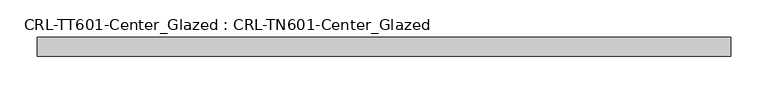
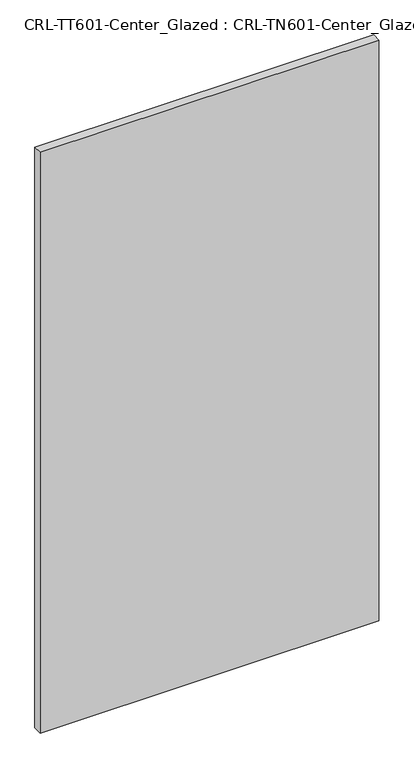
"""IFC4 building model written with IfcOpenShell, lengths in millimetres: plate geometry, CRL-TT601-Center_Glazed : CRL-TN601-Center_Glazed."""

from ifc_helpers import new_model, si_unit, origin, origin_with_axes, place, context, project, spatial, polyline, outline, extrude, source, transform, mapped, element, save


def crl_tt601_center_glazed_crl_tn601_center_glazed_7676a229(model_context):
    return source(origin(), model_context, "Body", "SweptSolid", [
        extrude(outline(polyline([(-463.5537716, -12.7254), (-463.5537716, 12.6746), (463.5537716, 12.6746), (463.5537716, -12.7254), (-463.5537716, -12.7254)])), origin_with_axes(), (0.0, 0.0, 1.0), 1680.6127438),
    ])


if __name__ == "__main__":
    model = new_model("IFC4")
    model_context = context("Model", 3, world=origin())
    ifc_project = project(units=[si_unit("LENGTHUNIT", "METRE", prefix="MILLI")], contexts=[model_context])
    site = spatial("IfcSite", under=ifc_project)
    building = spatial("IfcBuilding", under=site)
    placement = place(None, origin())
    crl_tt601_center_glazed_crl_tn601_center_glazed_shape = crl_tt601_center_glazed_crl_tn601_center_glazed_7676a229(model_context)
    element("IfcPlate", 1, ObjectType="CRL-TT601-Center_Glazed : CRL-TN601-Center_Glazed", at=placement, inside=building, context=model_context, shape_type="MappedRepresentation", body=[
        mapped(crl_tt601_center_glazed_crl_tn601_center_glazed_shape, transform((0.0, 0.0, 0.0), x_axis=(1.0, 0.0, 0.0), y_axis=(0.0, 1.0, 0.0), z_axis=(0.0, 0.0, 1.0))),
    ])
    save(model, "model.ifc")
